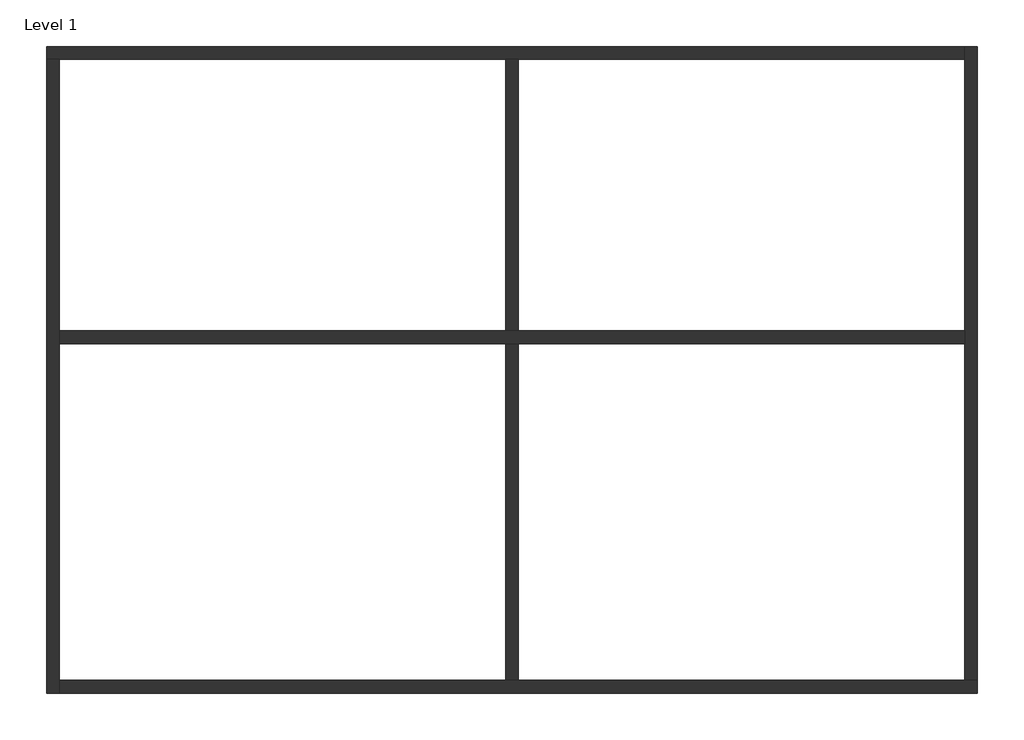
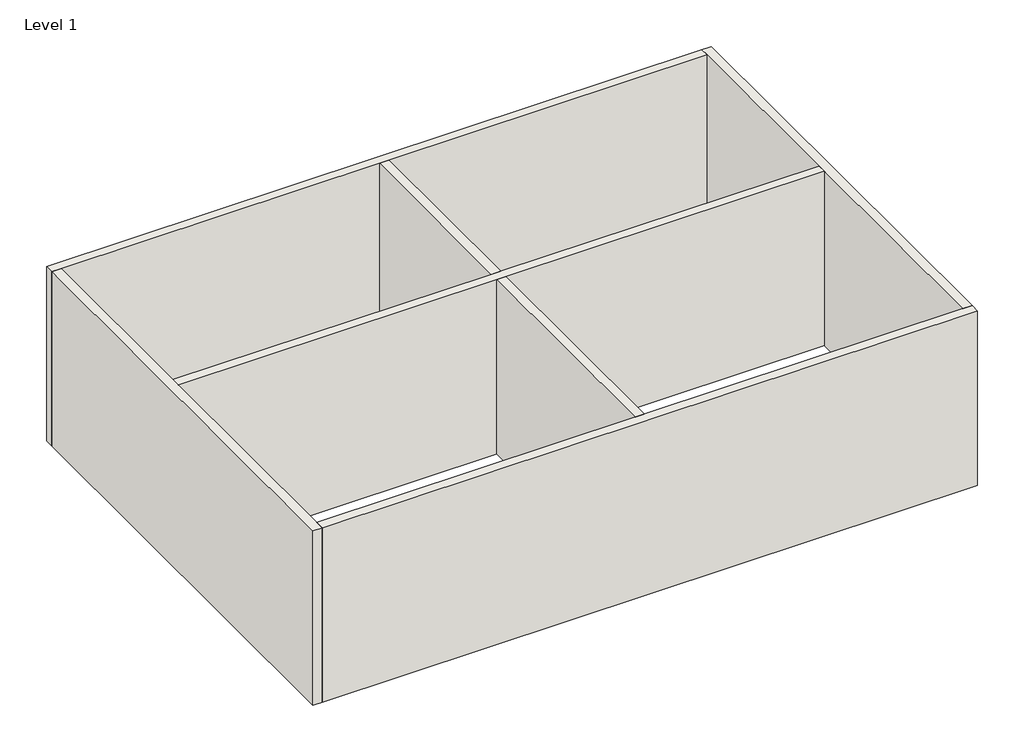
# One storey: 6 walls.
"""IFC4 building model written with IfcOpenShell, lengths in millimetres."""

from ifc_helpers import new_model, si_unit, origin, origin_with_axes, place, context, project, spatial, polyline, outline, extrude, faceted_brep, element, save

model = new_model("IFC4")

# Units and contexts
model_context = context("Model", 3, world=origin())
ifc_project = project(units=[si_unit("LENGTHUNIT", "METRE", prefix="MILLI")], contexts=[model_context])

# Site, building, storey
site = spatial("IfcSite", under=ifc_project)
building = spatial("IfcBuilding", under=site)
storey = spatial("IfcBuildingStorey", under=building, Name="Level 1", Elevation=0.0)

# Walls
placement = place(None, origin())
element("IfcWall", 1, ObjectType="Wall 1", at=placement, inside=storey, context=model_context, shape_type="Brep", body=[
    faceted_brep([(2394.4678609, 3040.4109589, 0.0), (2594.4678609, 3040.4109589, 0.0), (9494.4678609, 3040.4109589, 0.0), (9694.4678609, 3040.4109589, 0.0), (16594.4678609, 3040.4109589, 0.0), (16594.4678609, 3040.4109589, 4000.0), (9694.4678609, 3040.4109589, 4000.0), (9494.4678609, 3040.4109589, 4000.0), (2594.4678609, 3040.4109589, 4000.0), (2394.4678609, 3040.4109589, 4000.0), (2394.4678609, 3240.4109589, 0.0), (2394.4678609, 3240.4109589, 4000.0), (16594.4678609, 3240.4109589, 4000.0), (16594.4678609, 3240.4109589, 0.0)], [[[0, 1, 2, 3, 4, 5, 6, 7, 8, 9]], [[10, 11, 12, 13]], [[4, 3, 2, 1, 0, 10, 13]], [[9, 8, 7, 6, 5, 12, 11]], [[0, 9, 11, 10]], [[5, 4, 13, 12]]]),
])
element("IfcWall", 2, ObjectType="Wall 1", at=placement, inside=storey, context=model_context, shape_type="Brep", body=[
    faceted_brep([(2594.4678609, -6759.5890411, 0.0), (2594.4678609, -6559.5890411, 0.0), (2594.4678609, -1359.5890411, 0.0), (2594.4678609, -1159.5890411, 0.0), (2594.4678609, 3040.4109589, 0.0), (2594.4678609, 3040.4109589, 4000.0), (2594.4678609, -1159.5890411, 4000.0), (2594.4678609, -1359.5890411, 4000.0), (2594.4678609, -6559.5890411, 4000.0), (2594.4678609, -6759.5890411, 4000.0), (2394.4678609, -6759.5890411, 0.0), (2394.4678609, -6759.5890411, 4000.0), (2394.4678609, 3040.4109589, 4000.0), (2394.4678609, 3040.4109589, 0.0)], [[[0, 1, 2, 3, 4, 5, 6, 7, 8, 9]], [[10, 11, 12, 13]], [[4, 3, 2, 1, 0, 10, 13]], [[9, 8, 7, 6, 5, 12, 11]], [[0, 9, 11, 10]], [[5, 4, 13, 12]]]),
])
element("IfcWall", 3, ObjectType="Wall 1", at=placement, inside=storey, context=model_context, shape_type="Brep", body=[
    faceted_brep([(16794.4678609, -6559.5890411, 0.0), (16594.4678609, -6559.5890411, 0.0), (9694.4678609, -6559.5890411, 0.0), (9494.4678609, -6559.5890411, 0.0), (2594.4678609, -6559.5890411, 0.0), (2594.4678609, -6559.5890411, 4000.0), (9494.4678609, -6559.5890411, 4000.0), (9694.4678609, -6559.5890411, 4000.0), (16594.4678609, -6559.5890411, 4000.0), (16794.4678609, -6559.5890411, 4000.0), (16794.4678609, -6759.5890411, 0.0), (16794.4678609, -6759.5890411, 4000.0), (2594.4678609, -6759.5890411, 4000.0), (2594.4678609, -6759.5890411, 0.0)], [[[0, 1, 2, 3, 4, 5, 6, 7, 8, 9]], [[10, 11, 12, 13]], [[4, 3, 2, 1, 0, 10, 13]], [[9, 8, 7, 6, 5, 12, 11]], [[0, 9, 11, 10]], [[5, 4, 13, 12]]]),
])
element("IfcWall", 4, ObjectType="Wall 1", at=placement, inside=storey, context=model_context, shape_type="Brep", body=[
    faceted_brep([(16594.4678609, 3240.4109589, 0.0), (16594.4678609, 3040.4109589, 0.0), (16594.4678609, -1159.5890411, 0.0), (16594.4678609, -1359.5890411, 0.0), (16594.4678609, -6559.5890411, 0.0), (16594.4678609, -6559.5890411, 4000.0), (16594.4678609, -1359.5890411, 4000.0), (16594.4678609, -1159.5890411, 4000.0), (16594.4678609, 3040.4109589, 4000.0), (16594.4678609, 3240.4109589, 4000.0), (16794.4678609, 3240.4109589, 0.0), (16794.4678609, 3240.4109589, 4000.0), (16794.4678609, -6559.5890411, 4000.0), (16794.4678609, -6559.5890411, 0.0)], [[[0, 1, 2, 3, 4, 5, 6, 7, 8, 9]], [[10, 11, 12, 13]], [[4, 3, 2, 1, 0, 10, 13]], [[9, 8, 7, 6, 5, 12, 11]], [[0, 9, 11, 10]], [[5, 4, 13, 12]]]),
])
element("IfcWall", 5, ObjectType="Wall 1", at=placement, inside=storey, context=model_context, shape_type="Brep", body=[
    faceted_brep([(2594.4678609, -1359.5890411, 0.0), (9494.4678609, -1359.5890411, 0.0), (9694.4678609, -1359.5890411, 0.0), (16594.4678609, -1359.5890411, 0.0), (16594.4678609, -1359.5890411, 4000.0), (9694.4678609, -1359.5890411, 4000.0), (9494.4678609, -1359.5890411, 4000.0), (2594.4678609, -1359.5890411, 4000.0), (2594.4678609, -1159.5890411, 0.0), (2594.4678609, -1159.5890411, 4000.0), (9494.4678609, -1159.5890411, 4000.0), (9694.4678609, -1159.5890411, 4000.0), (16594.4678609, -1159.5890411, 4000.0), (16594.4678609, -1159.5890411, 0.0), (9694.4678609, -1159.5890411, 0.0), (9494.4678609, -1159.5890411, 0.0)], [[[0, 1, 2, 3, 4, 5, 6, 7]], [[8, 9, 10, 11, 12, 13, 14, 15]], [[3, 2, 1, 0, 8, 15, 14, 13]], [[7, 6, 5, 4, 12, 11, 10, 9]], [[0, 7, 9, 8]], [[4, 3, 13, 12]]]),
])
element("IfcWall", 6, ObjectType="Wall 1", at=placement, inside=storey, context=model_context, shape_type="SweptSolid", body=[
    extrude(outline(polyline([(9494.4678609, 3040.4109589), (9694.4678609, 3040.4109589), (9694.4678609, -1159.5890411), (9494.4678609, -1159.5890411), (9494.4678609, 3040.4109589)])), origin_with_axes(), (0.0, 0.0, 1.0), 4000.0),
    extrude(outline(polyline([(9694.4678609, -6559.5890411), (9494.4678609, -6559.5890411), (9494.4678609, -1359.5890411), (9694.4678609, -1359.5890411), (9694.4678609, -6559.5890411)])), origin_with_axes(), (0.0, 0.0, 1.0), 4000.0),
])

save(model, "model.ifc")
